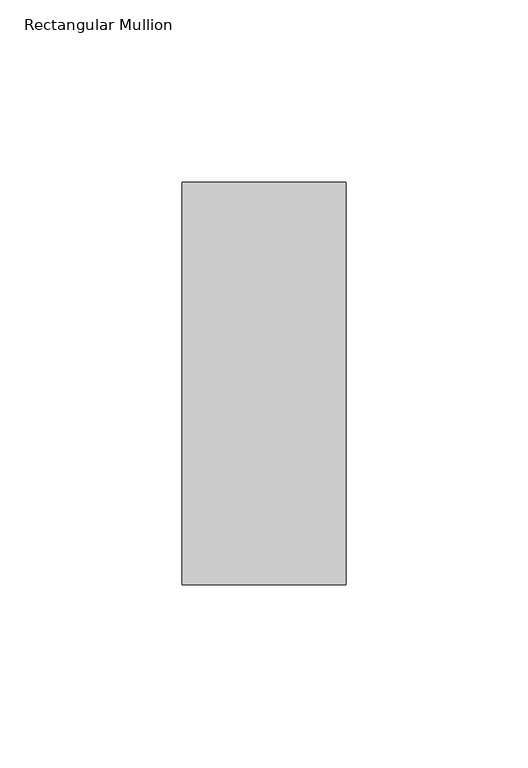
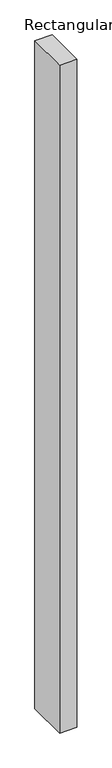
"""IFC4 building model written with IfcOpenShell, lengths in millimetres: member geometry, Rectangular Mullion."""

from ifc_helpers import new_model, si_unit, frame, origin, place, context, project, spatial, polyline, outline, extrude, source, transform, mapped, element, save


def rectangular_mullion_2362b658(model_context):
    return source(origin(), model_context, "Body", "SweptSolid", [
        extrude(outline(polyline([(0.0, 70.7), (0.0, -39.7), (-45.0, -39.7), (-45.0, 70.7), (0.0, 70.7)])), frame((0.0, 0.0, -1828.8), z_axis=(0.0, 0.0, 1.0), x_axis=(1.0, 0.0, 0.0)), (0.0, 0.0, 1.0), 1828.8),
    ])


if __name__ == "__main__":
    model = new_model("IFC4")
    model_context = context("Model", 3, world=origin())
    ifc_project = project(units=[si_unit("LENGTHUNIT", "METRE", prefix="MILLI")], contexts=[model_context])
    site = spatial("IfcSite", under=ifc_project)
    building = spatial("IfcBuilding", under=site)
    placement = place(None, origin())
    rectangular_mullion_shape = rectangular_mullion_2362b658(model_context)
    element("IfcMember", 1, ObjectType="Rectangular Mullion", at=placement, inside=building, context=model_context, shape_type="MappedRepresentation", body=[
        mapped(rectangular_mullion_shape, transform((0.0, 0.0, 0.0), x_axis=(1.0, 0.0, 0.0), y_axis=(0.0, 1.0, 0.0), z_axis=(0.0, 0.0, 1.0))),
    ])
    save(model, "model.ifc")
